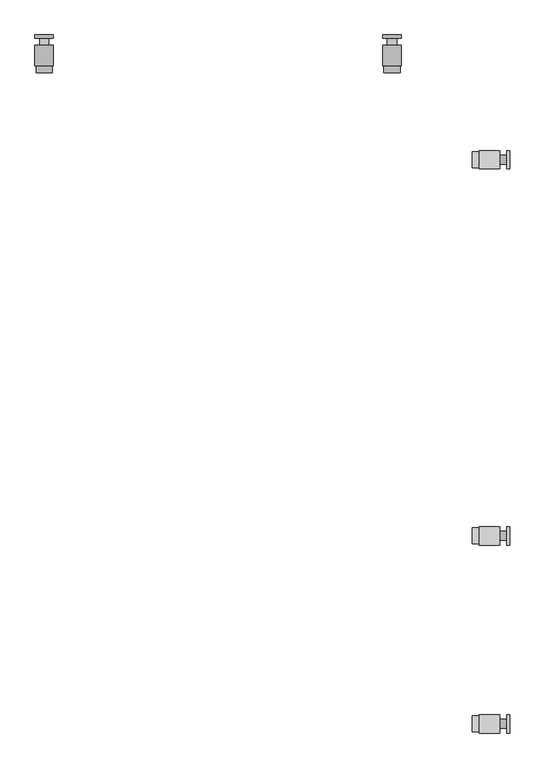
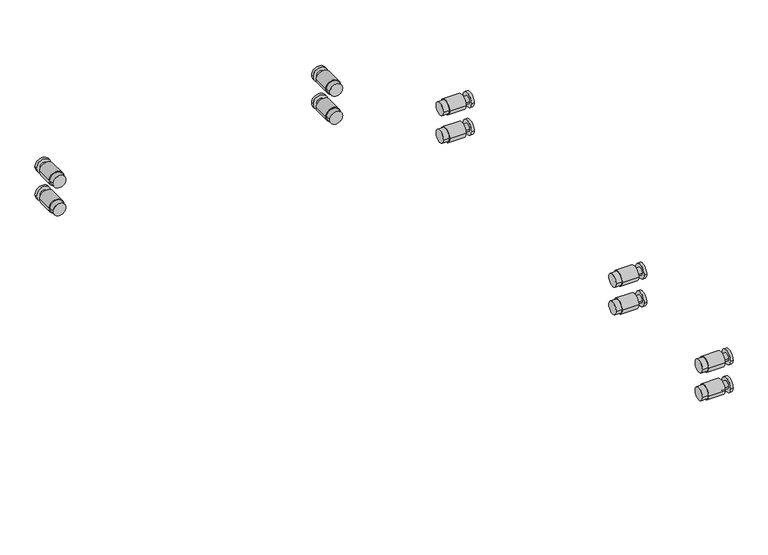
"""IFC4 building model written with IfcOpenShell, lengths in millimetres: railing geometry."""

from ifc_helpers import new_model, si_unit, frame, origin, place, context, project, spatial, circle_curve, source, transform, mapped, element, save
from ifc_brep_helpers import plane_surface, cylinder_surface, advanced_brep


def railing_009ead32(model_context):
    return source(origin(), model_context, "Body", "AdvancedBrep", [
        advanced_brep(
        [(-10100.5524845, -28312.502884, -150.0), (-10100.5524845, -28272.502884, -150.0), (-10167.5524845, -28312.502884, -150.0), (-10167.5524845, -28272.502884, -150.0), (-10167.5524845, -28310.002884, -150.0), (-10167.5524845, -28275.002884, -150.0), (-10107.5524845, -28312.502884, -150.0), (-10107.5524845, -28272.502884, -150.0), (-10122.5524845, -28272.502884, -150.0), (-10122.5524845, -28312.502884, -150.0), (-10182.5524845, -28310.002884, -150.0), (-10182.5524845, -28275.002884, -150.0), (-10107.5524845, -28302.502884, -150.0), (-10107.5524845, -28282.502884, -150.0), (-10122.5524845, -28302.502884, -150.0), (-10122.5524845, -28282.502884, -150.0)],
        [
            (0, 1, circle_curve(frame((-10100.5524845, -28292.502884, -150.0), z_axis=(1.0, 0.0, 0.0), x_axis=(0.0, 1.0000000000000002, 0.0)), 20.0)),
            (1, 0, circle_curve(frame((-10100.5524845, -28292.502884, -150.0), z_axis=(1.0, 0.0, 0.0), x_axis=(0.0, 1.0000000000000002, 0.0)), 20.0)),
            (2, 3, circle_curve(frame((-10167.5524845, -28292.502884, -150.0), z_axis=(-1.0, 0.0, 0.0), x_axis=(0.0, 1.0000000000000002, 0.0)), 20.0)),
            (3, 2, circle_curve(frame((-10167.5524845, -28292.502884, -150.0), z_axis=(-1.0, 0.0, 0.0), x_axis=(0.0, 1.0000000000000002, 0.0)), 20.0)),
            (4, 5, circle_curve(frame((-10167.5524845, -28292.502884, -150.0), z_axis=(1.0, 0.0, 0.0), x_axis=(0.0, 1.0000000000000002, 0.0)), 17.5)),
            (5, 4, circle_curve(frame((-10167.5524845, -28292.502884, -150.0), z_axis=(1.0, 0.0, 0.0), x_axis=(0.0, 1.0000000000000002, 0.0)), 17.5)),
            (0, 6),
            (6, 7, circle_curve(frame((-10107.5524845, -28292.502884, -150.0), z_axis=(1.0, 0.0, 0.0), x_axis=(0.0, 1.0000000000000002, 0.0)), 20.0)),
            (7, 1),
            (3, 8),
            (8, 9, circle_curve(frame((-10122.5524845, -28292.502884, -150.0), z_axis=(-1.0, 0.0, 0.0), x_axis=(0.0, 1.0000000000000002, 0.0)), 20.0)),
            (9, 2),
            (7, 6, circle_curve(frame((-10107.5524845, -28292.502884, -150.0), z_axis=(1.0, 0.0, 0.0), x_axis=(0.0, 1.0000000000000002, 0.0)), 20.0)),
            (9, 8, circle_curve(frame((-10122.5524845, -28292.502884, -150.0), z_axis=(-1.0, 0.0, 0.0), x_axis=(0.0, 1.0000000000000002, 0.0)), 20.0)),
            (10, 11, circle_curve(frame((-10182.5524845, -28292.502884, -150.0), z_axis=(-1.0, 0.0, 0.0), x_axis=(0.0, 1.0000000000000002, 0.0)), 17.5)),
            (11, 10, circle_curve(frame((-10182.5524845, -28292.502884, -150.0), z_axis=(-1.0, 0.0, 0.0), x_axis=(0.0, 1.0000000000000002, 0.0)), 17.5)),
            (11, 5),
            (4, 10),
            (12, 13, circle_curve(frame((-10107.5524845, -28292.502884, -150.0), z_axis=(1.0, 0.0, 0.0), x_axis=(0.0, 1.0000000000000002, 0.0)), 10.0)),
            (13, 12, circle_curve(frame((-10107.5524845, -28292.502884, -150.0), z_axis=(1.0, 0.0, 0.0), x_axis=(0.0, 1.0000000000000002, 0.0)), 10.0)),
            (14, 15, circle_curve(frame((-10122.5524845, -28292.502884, -150.0), z_axis=(-1.0, 0.0, 0.0), x_axis=(0.0, 1.0000000000000002, 0.0)), 10.0)),
            (15, 14, circle_curve(frame((-10122.5524845, -28292.502884, -150.0), z_axis=(-1.0, 0.0, 0.0), x_axis=(0.0, 1.0000000000000002, 0.0)), 10.0)),
            (13, 15),
            (14, 12),
        ],
        [
            plane_surface(frame((-10100.5524845, -28272.502884, -150.0), z_axis=(1.0, 0.0, 0.0), x_axis=(0.0, 0.0, 1.0))),
            plane_surface(frame((-10167.5524845, -28272.502884, -150.0), z_axis=(-1.0, 0.0, 0.0), x_axis=(0.0, 0.0, -1.0))),
            cylinder_surface(frame((-10167.5524845, -28292.502884, -150.0), z_axis=(1.0000000000000002, 0.0, 0.0), x_axis=(0.0, 1.0000000000000002, 0.0)), 20.0),
            plane_surface(frame((-10182.5524845, -28275.002884, -150.0), z_axis=(-1.0, 0.0, 0.0), x_axis=(0.0, 0.0, -1.0))),
            cylinder_surface(frame((-10182.5524845, -28292.502884, -150.0), z_axis=(1.0000000000000002, 0.0, 0.0), x_axis=(0.0, 1.0000000000000002, 0.0)), 17.5),
            plane_surface(frame((-10107.5524845, -28282.502884, -150.0), z_axis=(-1.0, 0.0, 0.0), x_axis=(0.0, 0.0, -1.0))),
            plane_surface(frame((-10122.5524845, -28282.502884, -150.0), z_axis=(1.0, 0.0, 0.0), x_axis=(0.0, 0.0, 1.0))),
            cylinder_surface(frame((-10122.5524845, -28292.502884, -150.0), z_axis=(-1.0000000000000002, 0.0, 0.0), x_axis=(0.0, 1.0000000000000002, 0.0)), 10.0),
        ],
        [
            (0, [[1, 2]]),
            (1, [[3, 4], [5, 6]]),
            (2, [[-1, 7, 8, 9]]),
            (2, [[-4, 10, 11, 12]]),
            (2, [[-2, -9, 13, -7]]),
            (2, [[-3, -12, 14, -10]]),
            (3, [[15, 16]]),
            (4, [[-16, 17, -5, 18]]),
            (4, [[-15, -18, -6, -17]]),
            (5, [[-8, -13], [19, 20]]),
            (6, [[-11, -14], [21, 22]]),
            (7, [[-20, 23, -21, 24]]),
            (7, [[-19, -24, -22, -23]]),
        ],
    ),
        advanced_brep(
        [(-10100.5524845, -28312.502884, -70.0), (-10100.5524845, -28272.502884, -70.0), (-10167.5524845, -28312.502884, -70.0), (-10167.5524845, -28272.502884, -70.0), (-10167.5524845, -28310.002884, -70.0), (-10167.5524845, -28275.002884, -70.0), (-10107.5524845, -28312.502884, -70.0), (-10107.5524845, -28272.502884, -70.0), (-10122.5524845, -28272.502884, -70.0), (-10122.5524845, -28312.502884, -70.0), (-10182.5524845, -28310.002884, -70.0), (-10182.5524845, -28275.002884, -70.0), (-10107.5524845, -28302.502884, -70.0), (-10107.5524845, -28282.502884, -70.0), (-10122.5524845, -28302.502884, -70.0), (-10122.5524845, -28282.502884, -70.0)],
        [
            (0, 1, circle_curve(frame((-10100.5524845, -28292.502884, -70.0), z_axis=(1.0, 0.0, 0.0), x_axis=(0.0, 1.0000000000000002, 0.0)), 20.0)),
            (1, 0, circle_curve(frame((-10100.5524845, -28292.502884, -70.0), z_axis=(1.0, 0.0, 0.0), x_axis=(0.0, 1.0000000000000002, 0.0)), 20.0)),
            (2, 3, circle_curve(frame((-10167.5524845, -28292.502884, -70.0), z_axis=(-1.0, 0.0, 0.0), x_axis=(0.0, 1.0000000000000002, 0.0)), 20.0)),
            (3, 2, circle_curve(frame((-10167.5524845, -28292.502884, -70.0), z_axis=(-1.0, 0.0, 0.0), x_axis=(0.0, 1.0000000000000002, 0.0)), 20.0)),
            (4, 5, circle_curve(frame((-10167.5524845, -28292.502884, -70.0), z_axis=(1.0, 0.0, 0.0), x_axis=(0.0, 1.0000000000000002, 0.0)), 17.5)),
            (5, 4, circle_curve(frame((-10167.5524845, -28292.502884, -70.0), z_axis=(1.0, 0.0, 0.0), x_axis=(0.0, 1.0000000000000002, 0.0)), 17.5)),
            (0, 6),
            (6, 7, circle_curve(frame((-10107.5524845, -28292.502884, -70.0), z_axis=(1.0, 0.0, 0.0), x_axis=(0.0, 1.0000000000000002, 0.0)), 20.0)),
            (7, 1),
            (3, 8),
            (8, 9, circle_curve(frame((-10122.5524845, -28292.502884, -70.0), z_axis=(-1.0, 0.0, 0.0), x_axis=(0.0, 1.0000000000000002, 0.0)), 20.0)),
            (9, 2),
            (7, 6, circle_curve(frame((-10107.5524845, -28292.502884, -70.0), z_axis=(1.0, 0.0, 0.0), x_axis=(0.0, 1.0000000000000002, 0.0)), 20.0)),
            (9, 8, circle_curve(frame((-10122.5524845, -28292.502884, -70.0), z_axis=(-1.0, 0.0, 0.0), x_axis=(0.0, 1.0000000000000002, 0.0)), 20.0)),
            (10, 11, circle_curve(frame((-10182.5524845, -28292.502884, -70.0), z_axis=(-1.0, 0.0, 0.0), x_axis=(0.0, 1.0000000000000002, 0.0)), 17.5)),
            (11, 10, circle_curve(frame((-10182.5524845, -28292.502884, -70.0), z_axis=(-1.0, 0.0, 0.0), x_axis=(0.0, 1.0000000000000002, 0.0)), 17.5)),
            (11, 5),
            (4, 10),
            (12, 13, circle_curve(frame((-10107.5524845, -28292.502884, -70.0), z_axis=(1.0, 0.0, 0.0), x_axis=(0.0, 1.0000000000000002, 0.0)), 10.0)),
            (13, 12, circle_curve(frame((-10107.5524845, -28292.502884, -70.0), z_axis=(1.0, 0.0, 0.0), x_axis=(0.0, 1.0000000000000002, 0.0)), 10.0)),
            (14, 15, circle_curve(frame((-10122.5524845, -28292.502884, -70.0), z_axis=(-1.0, 0.0, 0.0), x_axis=(0.0, 1.0000000000000002, 0.0)), 10.0)),
            (15, 14, circle_curve(frame((-10122.5524845, -28292.502884, -70.0), z_axis=(-1.0, 0.0, 0.0), x_axis=(0.0, 1.0000000000000002, 0.0)), 10.0)),
            (13, 15),
            (14, 12),
        ],
        [
            plane_surface(frame((-10100.5524845, -28272.502884, -70.0), z_axis=(1.0, 0.0, 0.0), x_axis=(0.0, 0.0, 1.0))),
            plane_surface(frame((-10167.5524845, -28272.502884, -70.0), z_axis=(-1.0, 0.0, 0.0), x_axis=(0.0, 0.0, -1.0))),
            cylinder_surface(frame((-10167.5524845, -28292.502884, -70.0), z_axis=(1.0000000000000002, 0.0, 0.0), x_axis=(0.0, 1.0000000000000002, 0.0)), 20.0),
            plane_surface(frame((-10182.5524845, -28275.002884, -70.0), z_axis=(-1.0, 0.0, 0.0), x_axis=(0.0, 0.0, -1.0))),
            cylinder_surface(frame((-10182.5524845, -28292.502884, -70.0), z_axis=(1.0000000000000002, 0.0, 0.0), x_axis=(0.0, 1.0000000000000002, 0.0)), 17.5),
            plane_surface(frame((-10107.5524845, -28282.502884, -70.0), z_axis=(-1.0, 0.0, 0.0), x_axis=(0.0, 0.0, -1.0))),
            plane_surface(frame((-10122.5524845, -28282.502884, -70.0), z_axis=(1.0, 0.0, 0.0), x_axis=(0.0, 0.0, 1.0))),
            cylinder_surface(frame((-10122.5524845, -28292.502884, -70.0), z_axis=(-1.0000000000000002, 0.0, 0.0), x_axis=(0.0, 1.0000000000000002, 0.0)), 10.0),
        ],
        [
            (0, [[1, 2]]),
            (1, [[3, 4], [5, 6]]),
            (2, [[-1, 7, 8, 9]]),
            (2, [[-4, 10, 11, 12]]),
            (2, [[-2, -9, 13, -7]]),
            (2, [[-3, -12, 14, -10]]),
            (3, [[15, 16]]),
            (4, [[-16, 17, -5, 18]]),
            (4, [[-15, -18, -6, -17]]),
            (5, [[-8, -13], [19, 20]]),
            (6, [[-11, -14], [21, 22]]),
            (7, [[-20, 23, -21, 24]]),
            (7, [[-19, -24, -22, -23]]),
        ],
    ),
        advanced_brep(
        [(-10100.5524845, -27904.1695506, -150.0), (-10100.5524845, -27864.1695506, -150.0), (-10167.5524845, -27904.1695506, -150.0), (-10167.5524845, -27864.1695506, -150.0), (-10167.5524845, -27901.6695506, -150.0), (-10167.5524845, -27866.6695506, -150.0), (-10107.5524845, -27904.1695506, -150.0), (-10107.5524845, -27864.1695506, -150.0), (-10122.5524845, -27864.1695506, -150.0), (-10122.5524845, -27904.1695506, -150.0), (-10182.5524845, -27901.6695506, -150.0), (-10182.5524845, -27866.6695506, -150.0), (-10107.5524845, -27894.1695506, -150.0), (-10107.5524845, -27874.1695506, -150.0), (-10122.5524845, -27894.1695506, -150.0), (-10122.5524845, -27874.1695506, -150.0)],
        [
            (0, 1, circle_curve(frame((-10100.5524845, -27884.1695506, -150.0), z_axis=(1.0, 0.0, 0.0), x_axis=(0.0, 1.0000000000000002, 0.0)), 20.0)),
            (1, 0, circle_curve(frame((-10100.5524845, -27884.1695506, -150.0), z_axis=(1.0, 0.0, 0.0), x_axis=(0.0, 1.0000000000000002, 0.0)), 20.0)),
            (2, 3, circle_curve(frame((-10167.5524845, -27884.1695506, -150.0), z_axis=(-1.0, 0.0, 0.0), x_axis=(0.0, 1.0000000000000002, 0.0)), 20.0)),
            (3, 2, circle_curve(frame((-10167.5524845, -27884.1695506, -150.0), z_axis=(-1.0, 0.0, 0.0), x_axis=(0.0, 1.0000000000000002, 0.0)), 20.0)),
            (4, 5, circle_curve(frame((-10167.5524845, -27884.1695506, -150.0), z_axis=(1.0, 0.0, 0.0), x_axis=(0.0, 1.0000000000000002, 0.0)), 17.5)),
            (5, 4, circle_curve(frame((-10167.5524845, -27884.1695506, -150.0), z_axis=(1.0, 0.0, 0.0), x_axis=(0.0, 1.0000000000000002, 0.0)), 17.5)),
            (0, 6),
            (6, 7, circle_curve(frame((-10107.5524845, -27884.1695506, -150.0), z_axis=(1.0, 0.0, 0.0), x_axis=(0.0, 1.0000000000000002, 0.0)), 20.0)),
            (7, 1),
            (3, 8),
            (8, 9, circle_curve(frame((-10122.5524845, -27884.1695506, -150.0), z_axis=(-1.0, 0.0, 0.0), x_axis=(0.0, 1.0000000000000002, 0.0)), 20.0)),
            (9, 2),
            (7, 6, circle_curve(frame((-10107.5524845, -27884.1695506, -150.0), z_axis=(1.0, 0.0, 0.0), x_axis=(0.0, 1.0000000000000002, 0.0)), 20.0)),
            (9, 8, circle_curve(frame((-10122.5524845, -27884.1695506, -150.0), z_axis=(-1.0, 0.0, 0.0), x_axis=(0.0, 1.0000000000000002, 0.0)), 20.0)),
            (10, 11, circle_curve(frame((-10182.5524845, -27884.1695506, -150.0), z_axis=(-1.0, 0.0, 0.0), x_axis=(0.0, 1.0000000000000002, 0.0)), 17.5)),
            (11, 10, circle_curve(frame((-10182.5524845, -27884.1695506, -150.0), z_axis=(-1.0, 0.0, 0.0), x_axis=(0.0, 1.0000000000000002, 0.0)), 17.5)),
            (11, 5),
            (4, 10),
            (12, 13, circle_curve(frame((-10107.5524845, -27884.1695506, -150.0), z_axis=(1.0, 0.0, 0.0), x_axis=(0.0, 1.0000000000000002, 0.0)), 10.0)),
            (13, 12, circle_curve(frame((-10107.5524845, -27884.1695506, -150.0), z_axis=(1.0, 0.0, 0.0), x_axis=(0.0, 1.0000000000000002, 0.0)), 10.0)),
            (14, 15, circle_curve(frame((-10122.5524845, -27884.1695506, -150.0), z_axis=(-1.0, 0.0, 0.0), x_axis=(0.0, 1.0000000000000002, 0.0)), 10.0)),
            (15, 14, circle_curve(frame((-10122.5524845, -27884.1695506, -150.0), z_axis=(-1.0, 0.0, 0.0), x_axis=(0.0, 1.0000000000000002, 0.0)), 10.0)),
            (13, 15),
            (14, 12),
        ],
        [
            plane_surface(frame((-10100.5524845, -27864.1695506, -150.0), z_axis=(1.0, 0.0, 0.0), x_axis=(0.0, 0.0, 1.0))),
            plane_surface(frame((-10167.5524845, -27864.1695506, -150.0), z_axis=(-1.0, 0.0, 0.0), x_axis=(0.0, 0.0, -1.0))),
            cylinder_surface(frame((-10167.5524845, -27884.1695506, -150.0), z_axis=(1.0000000000000002, 0.0, 0.0), x_axis=(0.0, 1.0000000000000002, 0.0)), 20.0),
            plane_surface(frame((-10182.5524845, -27866.6695506, -150.0), z_axis=(-1.0, 0.0, 0.0), x_axis=(0.0, 0.0, -1.0))),
            cylinder_surface(frame((-10182.5524845, -27884.1695506, -150.0), z_axis=(1.0000000000000002, 0.0, 0.0), x_axis=(0.0, 1.0000000000000002, 0.0)), 17.5),
            plane_surface(frame((-10107.5524845, -27874.1695506, -150.0), z_axis=(-1.0, 0.0, 0.0), x_axis=(0.0, 0.0, -1.0))),
            plane_surface(frame((-10122.5524845, -27874.1695506, -150.0), z_axis=(1.0, 0.0, 0.0), x_axis=(0.0, 0.0, 1.0))),
            cylinder_surface(frame((-10122.5524845, -27884.1695506, -150.0), z_axis=(-1.0000000000000002, 0.0, 0.0), x_axis=(0.0, 1.0000000000000002, 0.0)), 10.0),
        ],
        [
            (0, [[1, 2]]),
            (1, [[3, 4], [5, 6]]),
            (2, [[-1, 7, 8, 9]]),
            (2, [[-4, 10, 11, 12]]),
            (2, [[-2, -9, 13, -7]]),
            (2, [[-3, -12, 14, -10]]),
            (3, [[15, 16]]),
            (4, [[-16, 17, -5, 18]]),
            (4, [[-15, -18, -6, -17]]),
            (5, [[-8, -13], [19, 20]]),
            (6, [[-11, -14], [21, 22]]),
            (7, [[-20, 23, -21, 24]]),
            (7, [[-19, -24, -22, -23]]),
        ],
    ),
        advanced_brep(
        [(-10100.5524845, -27904.1695506, -70.0), (-10100.5524845, -27864.1695506, -70.0), (-10167.5524845, -27904.1695506, -70.0), (-10167.5524845, -27864.1695506, -70.0), (-10167.5524845, -27901.6695506, -70.0), (-10167.5524845, -27866.6695506, -70.0), (-10107.5524845, -27904.1695506, -70.0), (-10107.5524845, -27864.1695506, -70.0), (-10122.5524845, -27864.1695506, -70.0), (-10122.5524845, -27904.1695506, -70.0), (-10182.5524845, -27901.6695506, -70.0), (-10182.5524845, -27866.6695506, -70.0), (-10107.5524845, -27894.1695506, -70.0), (-10107.5524845, -27874.1695506, -70.0), (-10122.5524845, -27894.1695506, -70.0), (-10122.5524845, -27874.1695506, -70.0)],
        [
            (0, 1, circle_curve(frame((-10100.5524845, -27884.1695506, -70.0), z_axis=(1.0, 0.0, 0.0), x_axis=(0.0, 1.0000000000000002, 0.0)), 20.0)),
            (1, 0, circle_curve(frame((-10100.5524845, -27884.1695506, -70.0), z_axis=(1.0, 0.0, 0.0), x_axis=(0.0, 1.0000000000000002, 0.0)), 20.0)),
            (2, 3, circle_curve(frame((-10167.5524845, -27884.1695506, -70.0), z_axis=(-1.0, 0.0, 0.0), x_axis=(0.0, 1.0000000000000002, 0.0)), 20.0)),
            (3, 2, circle_curve(frame((-10167.5524845, -27884.1695506, -70.0), z_axis=(-1.0, 0.0, 0.0), x_axis=(0.0, 1.0000000000000002, 0.0)), 20.0)),
            (4, 5, circle_curve(frame((-10167.5524845, -27884.1695506, -70.0), z_axis=(1.0, 0.0, 0.0), x_axis=(0.0, 1.0000000000000002, 0.0)), 17.5)),
            (5, 4, circle_curve(frame((-10167.5524845, -27884.1695506, -70.0), z_axis=(1.0, 0.0, 0.0), x_axis=(0.0, 1.0000000000000002, 0.0)), 17.5)),
            (0, 6),
            (6, 7, circle_curve(frame((-10107.5524845, -27884.1695506, -70.0), z_axis=(1.0, 0.0, 0.0), x_axis=(0.0, 1.0000000000000002, 0.0)), 20.0)),
            (7, 1),
            (3, 8),
            (8, 9, circle_curve(frame((-10122.5524845, -27884.1695506, -70.0), z_axis=(-1.0, 0.0, 0.0), x_axis=(0.0, 1.0000000000000002, 0.0)), 20.0)),
            (9, 2),
            (7, 6, circle_curve(frame((-10107.5524845, -27884.1695506, -70.0), z_axis=(1.0, 0.0, 0.0), x_axis=(0.0, 1.0000000000000002, 0.0)), 20.0)),
            (9, 8, circle_curve(frame((-10122.5524845, -27884.1695506, -70.0), z_axis=(-1.0, 0.0, 0.0), x_axis=(0.0, 1.0000000000000002, 0.0)), 20.0)),
            (10, 11, circle_curve(frame((-10182.5524845, -27884.1695506, -70.0), z_axis=(-1.0, 0.0, 0.0), x_axis=(0.0, 1.0000000000000002, 0.0)), 17.5)),
            (11, 10, circle_curve(frame((-10182.5524845, -27884.1695506, -70.0), z_axis=(-1.0, 0.0, 0.0), x_axis=(0.0, 1.0000000000000002, 0.0)), 17.5)),
            (11, 5),
            (4, 10),
            (12, 13, circle_curve(frame((-10107.5524845, -27884.1695506, -70.0), z_axis=(1.0, 0.0, 0.0), x_axis=(0.0, 1.0000000000000002, 0.0)), 10.0)),
            (13, 12, circle_curve(frame((-10107.5524845, -27884.1695506, -70.0), z_axis=(1.0, 0.0, 0.0), x_axis=(0.0, 1.0000000000000002, 0.0)), 10.0)),
            (14, 15, circle_curve(frame((-10122.5524845, -27884.1695506, -70.0), z_axis=(-1.0, 0.0, 0.0), x_axis=(0.0, 1.0000000000000002, 0.0)), 10.0)),
            (15, 14, circle_curve(frame((-10122.5524845, -27884.1695506, -70.0), z_axis=(-1.0, 0.0, 0.0), x_axis=(0.0, 1.0000000000000002, 0.0)), 10.0)),
            (13, 15),
            (14, 12),
        ],
        [
            plane_surface(frame((-10100.5524845, -27864.1695506, -70.0), z_axis=(1.0, 0.0, 0.0), x_axis=(0.0, 0.0, 1.0))),
            plane_surface(frame((-10167.5524845, -27864.1695506, -70.0), z_axis=(-1.0, 0.0, 0.0), x_axis=(0.0, 0.0, -1.0))),
            cylinder_surface(frame((-10167.5524845, -27884.1695506, -70.0), z_axis=(1.0000000000000002, 0.0, 0.0), x_axis=(0.0, 1.0000000000000002, 0.0)), 20.0),
            plane_surface(frame((-10182.5524845, -27866.6695506, -70.0), z_axis=(-1.0, 0.0, 0.0), x_axis=(0.0, 0.0, -1.0))),
            cylinder_surface(frame((-10182.5524845, -27884.1695506, -70.0), z_axis=(1.0000000000000002, 0.0, 0.0), x_axis=(0.0, 1.0000000000000002, 0.0)), 17.5),
            plane_surface(frame((-10107.5524845, -27874.1695506, -70.0), z_axis=(-1.0, 0.0, 0.0), x_axis=(0.0, 0.0, -1.0))),
            plane_surface(frame((-10122.5524845, -27874.1695506, -70.0), z_axis=(1.0, 0.0, 0.0), x_axis=(0.0, 0.0, 1.0))),
            cylinder_surface(frame((-10122.5524845, -27884.1695506, -70.0), z_axis=(-1.0000000000000002, 0.0, 0.0), x_axis=(0.0, 1.0000000000000002, 0.0)), 10.0),
        ],
        [
            (0, [[1, 2]]),
            (1, [[3, 4], [5, 6]]),
            (2, [[-1, 7, 8, 9]]),
            (2, [[-4, 10, 11, 12]]),
            (2, [[-2, -9, 13, -7]]),
            (2, [[-3, -12, 14, -10]]),
            (3, [[15, 16]]),
            (4, [[-16, 17, -5, 18]]),
            (4, [[-15, -18, -6, -17]]),
            (5, [[-8, -13], [19, 20]]),
            (6, [[-11, -14], [21, 22]]),
            (7, [[-20, 23, -21, 24]]),
            (7, [[-19, -24, -22, -23]]),
        ],
    ),
        advanced_brep(
        [(-10100.5524845, -27087.502884, -150.0), (-10100.5524845, -27047.502884, -150.0), (-10167.5524845, -27087.502884, -150.0), (-10167.5524845, -27047.502884, -150.0), (-10167.5524845, -27085.002884, -150.0), (-10167.5524845, -27050.002884, -150.0), (-10107.5524845, -27087.502884, -150.0), (-10107.5524845, -27047.502884, -150.0), (-10122.5524845, -27047.502884, -150.0), (-10122.5524845, -27087.502884, -150.0), (-10182.5524845, -27085.002884, -150.0), (-10182.5524845, -27050.002884, -150.0), (-10107.5524845, -27077.502884, -150.0), (-10107.5524845, -27057.502884, -150.0), (-10122.5524845, -27077.502884, -150.0), (-10122.5524845, -27057.502884, -150.0)],
        [
            (0, 1, circle_curve(frame((-10100.5524845, -27067.502884, -150.0), z_axis=(1.0, 0.0, 0.0), x_axis=(0.0, 1.0000000000000002, 0.0)), 20.0)),
            (1, 0, circle_curve(frame((-10100.5524845, -27067.502884, -150.0), z_axis=(1.0, 0.0, 0.0), x_axis=(0.0, 1.0000000000000002, 0.0)), 20.0)),
            (2, 3, circle_curve(frame((-10167.5524845, -27067.502884, -150.0), z_axis=(-1.0, 0.0, 0.0), x_axis=(0.0, 1.0000000000000002, 0.0)), 20.0)),
            (3, 2, circle_curve(frame((-10167.5524845, -27067.502884, -150.0), z_axis=(-1.0, 0.0, 0.0), x_axis=(0.0, 1.0000000000000002, 0.0)), 20.0)),
            (4, 5, circle_curve(frame((-10167.5524845, -27067.502884, -150.0), z_axis=(1.0, 0.0, 0.0), x_axis=(0.0, 1.0000000000000002, 0.0)), 17.5)),
            (5, 4, circle_curve(frame((-10167.5524845, -27067.502884, -150.0), z_axis=(1.0, 0.0, 0.0), x_axis=(0.0, 1.0000000000000002, 0.0)), 17.5)),
            (0, 6),
            (6, 7, circle_curve(frame((-10107.5524845, -27067.502884, -150.0), z_axis=(1.0, 0.0, 0.0), x_axis=(0.0, 1.0000000000000002, 0.0)), 20.0)),
            (7, 1),
            (3, 8),
            (8, 9, circle_curve(frame((-10122.5524845, -27067.502884, -150.0), z_axis=(-1.0, 0.0, 0.0), x_axis=(0.0, 1.0000000000000002, 0.0)), 20.0)),
            (9, 2),
            (7, 6, circle_curve(frame((-10107.5524845, -27067.502884, -150.0), z_axis=(1.0, 0.0, 0.0), x_axis=(0.0, 1.0000000000000002, 0.0)), 20.0)),
            (9, 8, circle_curve(frame((-10122.5524845, -27067.502884, -150.0), z_axis=(-1.0, 0.0, 0.0), x_axis=(0.0, 1.0000000000000002, 0.0)), 20.0)),
            (10, 11, circle_curve(frame((-10182.5524845, -27067.502884, -150.0), z_axis=(-1.0, 0.0, 0.0), x_axis=(0.0, 1.0000000000000002, 0.0)), 17.5)),
            (11, 10, circle_curve(frame((-10182.5524845, -27067.502884, -150.0), z_axis=(-1.0, 0.0, 0.0), x_axis=(0.0, 1.0000000000000002, 0.0)), 17.5)),
            (11, 5),
            (4, 10),
            (12, 13, circle_curve(frame((-10107.5524845, -27067.502884, -150.0), z_axis=(1.0, 0.0, 0.0), x_axis=(0.0, 1.0000000000000002, 0.0)), 10.0)),
            (13, 12, circle_curve(frame((-10107.5524845, -27067.502884, -150.0), z_axis=(1.0, 0.0, 0.0), x_axis=(0.0, 1.0000000000000002, 0.0)), 10.0)),
            (14, 15, circle_curve(frame((-10122.5524845, -27067.502884, -150.0), z_axis=(-1.0, 0.0, 0.0), x_axis=(0.0, 1.0000000000000002, 0.0)), 10.0)),
            (15, 14, circle_curve(frame((-10122.5524845, -27067.502884, -150.0), z_axis=(-1.0, 0.0, 0.0), x_axis=(0.0, 1.0000000000000002, 0.0)), 10.0)),
            (13, 15),
            (14, 12),
        ],
        [
            plane_surface(frame((-10100.5524845, -27047.502884, -150.0), z_axis=(1.0, 0.0, 0.0), x_axis=(0.0, 0.0, 1.0))),
            plane_surface(frame((-10167.5524845, -27047.502884, -150.0), z_axis=(-1.0, 0.0, 0.0), x_axis=(0.0, 0.0, -1.0))),
            cylinder_surface(frame((-10167.5524845, -27067.502884, -150.0), z_axis=(1.0000000000000002, 0.0, 0.0), x_axis=(0.0, 1.0000000000000002, 0.0)), 20.0),
            plane_surface(frame((-10182.5524845, -27050.002884, -150.0), z_axis=(-1.0, 0.0, 0.0), x_axis=(0.0, 0.0, -1.0))),
            cylinder_surface(frame((-10182.5524845, -27067.502884, -150.0), z_axis=(1.0000000000000002, 0.0, 0.0), x_axis=(0.0, 1.0000000000000002, 0.0)), 17.5),
            plane_surface(frame((-10107.5524845, -27057.502884, -150.0), z_axis=(-1.0, 0.0, 0.0), x_axis=(0.0, 0.0, -1.0))),
            plane_surface(frame((-10122.5524845, -27057.502884, -150.0), z_axis=(1.0, 0.0, 0.0), x_axis=(0.0, 0.0, 1.0))),
            cylinder_surface(frame((-10122.5524845, -27067.502884, -150.0), z_axis=(-1.0000000000000002, 0.0, 0.0), x_axis=(0.0, 1.0000000000000002, 0.0)), 10.0),
        ],
        [
            (0, [[1, 2]]),
            (1, [[3, 4], [5, 6]]),
            (2, [[-1, 7, 8, 9]]),
            (2, [[-4, 10, 11, 12]]),
            (2, [[-2, -9, 13, -7]]),
            (2, [[-3, -12, 14, -10]]),
            (3, [[15, 16]]),
            (4, [[-16, 17, -5, 18]]),
            (4, [[-15, -18, -6, -17]]),
            (5, [[-8, -13], [19, 20]]),
            (6, [[-11, -14], [21, 22]]),
            (7, [[-20, 23, -21, 24]]),
            (7, [[-19, -24, -22, -23]]),
        ],
    ),
        advanced_brep(
        [(-10100.5524845, -27087.502884, -70.0), (-10100.5524845, -27047.502884, -70.0), (-10167.5524845, -27087.502884, -70.0), (-10167.5524845, -27047.502884, -70.0), (-10167.5524845, -27085.002884, -70.0), (-10167.5524845, -27050.002884, -70.0), (-10107.5524845, -27087.502884, -70.0), (-10107.5524845, -27047.502884, -70.0), (-10122.5524845, -27047.502884, -70.0), (-10122.5524845, -27087.502884, -70.0), (-10182.5524845, -27085.002884, -70.0), (-10182.5524845, -27050.002884, -70.0), (-10107.5524845, -27077.502884, -70.0), (-10107.5524845, -27057.502884, -70.0), (-10122.5524845, -27077.502884, -70.0), (-10122.5524845, -27057.502884, -70.0)],
        [
            (0, 1, circle_curve(frame((-10100.5524845, -27067.502884, -70.0), z_axis=(1.0, 0.0, 0.0), x_axis=(0.0, 1.0000000000000002, 0.0)), 20.0)),
            (1, 0, circle_curve(frame((-10100.5524845, -27067.502884, -70.0), z_axis=(1.0, 0.0, 0.0), x_axis=(0.0, 1.0000000000000002, 0.0)), 20.0)),
            (2, 3, circle_curve(frame((-10167.5524845, -27067.502884, -70.0), z_axis=(-1.0, 0.0, 0.0), x_axis=(0.0, 1.0000000000000002, 0.0)), 20.0)),
            (3, 2, circle_curve(frame((-10167.5524845, -27067.502884, -70.0), z_axis=(-1.0, 0.0, 0.0), x_axis=(0.0, 1.0000000000000002, 0.0)), 20.0)),
            (4, 5, circle_curve(frame((-10167.5524845, -27067.502884, -70.0), z_axis=(1.0, 0.0, 0.0), x_axis=(0.0, 1.0000000000000002, 0.0)), 17.5)),
            (5, 4, circle_curve(frame((-10167.5524845, -27067.502884, -70.0), z_axis=(1.0, 0.0, 0.0), x_axis=(0.0, 1.0000000000000002, 0.0)), 17.5)),
            (0, 6),
            (6, 7, circle_curve(frame((-10107.5524845, -27067.502884, -70.0), z_axis=(1.0, 0.0, 0.0), x_axis=(0.0, 1.0000000000000002, 0.0)), 20.0)),
            (7, 1),
            (3, 8),
            (8, 9, circle_curve(frame((-10122.5524845, -27067.502884, -70.0), z_axis=(-1.0, 0.0, 0.0), x_axis=(0.0, 1.0000000000000002, 0.0)), 20.0)),
            (9, 2),
            (7, 6, circle_curve(frame((-10107.5524845, -27067.502884, -70.0), z_axis=(1.0, 0.0, 0.0), x_axis=(0.0, 1.0000000000000002, 0.0)), 20.0)),
            (9, 8, circle_curve(frame((-10122.5524845, -27067.502884, -70.0), z_axis=(-1.0, 0.0, 0.0), x_axis=(0.0, 1.0000000000000002, 0.0)), 20.0)),
            (10, 11, circle_curve(frame((-10182.5524845, -27067.502884, -70.0), z_axis=(-1.0, 0.0, 0.0), x_axis=(0.0, 1.0000000000000002, 0.0)), 17.5)),
            (11, 10, circle_curve(frame((-10182.5524845, -27067.502884, -70.0), z_axis=(-1.0, 0.0, 0.0), x_axis=(0.0, 1.0000000000000002, 0.0)), 17.5)),
            (11, 5),
            (4, 10),
            (12, 13, circle_curve(frame((-10107.5524845, -27067.502884, -70.0), z_axis=(1.0, 0.0, 0.0), x_axis=(0.0, 1.0000000000000002, 0.0)), 10.0)),
            (13, 12, circle_curve(frame((-10107.5524845, -27067.502884, -70.0), z_axis=(1.0, 0.0, 0.0), x_axis=(0.0, 1.0000000000000002, 0.0)), 10.0)),
            (14, 15, circle_curve(frame((-10122.5524845, -27067.502884, -70.0), z_axis=(-1.0, 0.0, 0.0), x_axis=(0.0, 1.0000000000000002, 0.0)), 10.0)),
            (15, 14, circle_curve(frame((-10122.5524845, -27067.502884, -70.0), z_axis=(-1.0, 0.0, 0.0), x_axis=(0.0, 1.0000000000000002, 0.0)), 10.0)),
            (13, 15),
            (14, 12),
        ],
        [
            plane_surface(frame((-10100.5524845, -27047.502884, -70.0), z_axis=(1.0, 0.0, 0.0), x_axis=(0.0, 0.0, 1.0))),
            plane_surface(frame((-10167.5524845, -27047.502884, -70.0), z_axis=(-1.0, 0.0, 0.0), x_axis=(0.0, 0.0, -1.0))),
            cylinder_surface(frame((-10167.5524845, -27067.502884, -70.0), z_axis=(1.0000000000000002, 0.0, 0.0), x_axis=(0.0, 1.0000000000000002, 0.0)), 20.0),
            plane_surface(frame((-10182.5524845, -27050.002884, -70.0), z_axis=(-1.0, 0.0, 0.0), x_axis=(0.0, 0.0, -1.0))),
            cylinder_surface(frame((-10182.5524845, -27067.502884, -70.0), z_axis=(1.0000000000000002, 0.0, 0.0), x_axis=(0.0, 1.0000000000000002, 0.0)), 17.5),
            plane_surface(frame((-10107.5524845, -27057.502884, -70.0), z_axis=(-1.0, 0.0, 0.0), x_axis=(0.0, 0.0, -1.0))),
            plane_surface(frame((-10122.5524845, -27057.502884, -70.0), z_axis=(1.0, 0.0, 0.0), x_axis=(0.0, 0.0, 1.0))),
            cylinder_surface(frame((-10122.5524845, -27067.502884, -70.0), z_axis=(-1.0000000000000002, 0.0, 0.0), x_axis=(0.0, 1.0000000000000002, 0.0)), 10.0),
        ],
        [
            (0, [[1, 2]]),
            (1, [[3, 4], [5, 6]]),
            (2, [[-1, 7, 8, 9]]),
            (2, [[-4, 10, 11, 12]]),
            (2, [[-2, -9, 13, -7]]),
            (2, [[-3, -12, 14, -10]]),
            (3, [[15, 16]]),
            (4, [[-16, 17, -5, 18]]),
            (4, [[-15, -18, -6, -17]]),
            (5, [[-8, -13], [19, 20]]),
            (6, [[-11, -14], [21, 22]]),
            (7, [[-20, 23, -21, 24]]),
            (7, [[-19, -24, -22, -23]]),
        ],
    ),
        advanced_brep(
        [(-10336.4413733, -26796.3362173, -150.0), (-10376.4413733, -26796.3362173, -150.0), (-10336.4413733, -26863.3362173, -150.0), (-10376.4413733, -26863.3362173, -150.0), (-10338.9413733, -26863.3362173, -150.0), (-10373.9413733, -26863.3362173, -150.0), (-10336.4413733, -26803.3362173, -150.0), (-10376.4413733, -26803.3362173, -150.0), (-10376.4413733, -26818.3362173, -150.0), (-10336.4413733, -26818.3362173, -150.0), (-10338.9413733, -26878.3362173, -150.0), (-10373.9413733, -26878.3362173, -150.0), (-10346.4413733, -26803.3362173, -150.0), (-10366.4413733, -26803.3362173, -150.0), (-10346.4413733, -26818.3362173, -150.0), (-10366.4413733, -26818.3362173, -150.0)],
        [
            (0, 1, circle_curve(frame((-10356.4413733, -26796.3362173, -150.0), z_axis=(0.0, 1.0, 0.0), x_axis=(-1.0000000000000002, 0.0, 0.0)), 20.0)),
            (1, 0, circle_curve(frame((-10356.4413733, -26796.3362173, -150.0), z_axis=(0.0, 1.0, 0.0), x_axis=(-1.0000000000000002, 0.0, 0.0)), 20.0)),
            (2, 3, circle_curve(frame((-10356.4413733, -26863.3362173, -150.0), z_axis=(0.0, -1.0, 0.0), x_axis=(-1.0000000000000002, 0.0, 0.0)), 20.0)),
            (3, 2, circle_curve(frame((-10356.4413733, -26863.3362173, -150.0), z_axis=(0.0, -1.0, 0.0), x_axis=(-1.0000000000000002, 0.0, 0.0)), 20.0)),
            (4, 5, circle_curve(frame((-10356.4413733, -26863.3362173, -150.0), z_axis=(0.0, 1.0, 0.0), x_axis=(-1.0000000000000002, 0.0, 0.0)), 17.5)),
            (5, 4, circle_curve(frame((-10356.4413733, -26863.3362173, -150.0), z_axis=(0.0, 1.0, 0.0), x_axis=(-1.0000000000000002, 0.0, 0.0)), 17.5)),
            (0, 6),
            (6, 7, circle_curve(frame((-10356.4413733, -26803.3362173, -150.0), z_axis=(0.0, 1.0, 0.0), x_axis=(-1.0000000000000002, 0.0, 0.0)), 20.0)),
            (7, 1),
            (3, 8),
            (8, 9, circle_curve(frame((-10356.4413733, -26818.3362173, -150.0), z_axis=(0.0, -1.0, 0.0), x_axis=(-1.0000000000000002, 0.0, 0.0)), 20.0)),
            (9, 2),
            (7, 6, circle_curve(frame((-10356.4413733, -26803.3362173, -150.0), z_axis=(0.0, 1.0, 0.0), x_axis=(-1.0000000000000002, 0.0, 0.0)), 20.0)),
            (9, 8, circle_curve(frame((-10356.4413733, -26818.3362173, -150.0), z_axis=(0.0, -1.0, 0.0), x_axis=(-1.0000000000000002, 0.0, 0.0)), 20.0)),
            (10, 11, circle_curve(frame((-10356.4413733, -26878.3362173, -150.0), z_axis=(0.0, -1.0, 0.0), x_axis=(-1.0000000000000002, 0.0, 0.0)), 17.5)),
            (11, 10, circle_curve(frame((-10356.4413733, -26878.3362173, -150.0), z_axis=(0.0, -1.0, 0.0), x_axis=(-1.0000000000000002, 0.0, 0.0)), 17.5)),
            (11, 5),
            (4, 10),
            (12, 13, circle_curve(frame((-10356.4413733, -26803.3362173, -150.0), z_axis=(0.0, 1.0, 0.0), x_axis=(-1.0000000000000002, 0.0, 0.0)), 10.0)),
            (13, 12, circle_curve(frame((-10356.4413733, -26803.3362173, -150.0), z_axis=(0.0, 1.0, 0.0), x_axis=(-1.0000000000000002, 0.0, 0.0)), 10.0)),
            (14, 15, circle_curve(frame((-10356.4413733, -26818.3362173, -150.0), z_axis=(0.0, -1.0, 0.0), x_axis=(-1.0000000000000002, 0.0, 0.0)), 10.0)),
            (15, 14, circle_curve(frame((-10356.4413733, -26818.3362173, -150.0), z_axis=(0.0, -1.0, 0.0), x_axis=(-1.0000000000000002, 0.0, 0.0)), 10.0)),
            (13, 15),
            (14, 12),
        ],
        [
            plane_surface(frame((-10376.4413733, -26796.3362173, -150.0), z_axis=(0.0, 1.0, 0.0), x_axis=(0.0, 0.0, 1.0))),
            plane_surface(frame((-10376.4413733, -26863.3362173, -150.0), z_axis=(0.0, -1.0, 0.0), x_axis=(0.0, 0.0, -1.0))),
            cylinder_surface(frame((-10356.4413733, -26863.3362173, -150.0), z_axis=(0.0, 1.0000000000000002, 0.0), x_axis=(-1.0000000000000002, 0.0, 0.0)), 20.0),
            plane_surface(frame((-10373.9413733, -26878.3362173, -150.0), z_axis=(0.0, -1.0, 0.0), x_axis=(0.0, 0.0, -1.0))),
            cylinder_surface(frame((-10356.4413733, -26878.3362173, -150.0), z_axis=(0.0, 1.0000000000000002, 0.0), x_axis=(-1.0000000000000002, 0.0, 0.0)), 17.5),
            plane_surface(frame((-10366.4413733, -26803.3362173, -150.0), z_axis=(0.0, -1.0, 0.0), x_axis=(0.0, 0.0, -1.0))),
            plane_surface(frame((-10366.4413733, -26818.3362173, -150.0), z_axis=(0.0, 1.0, 0.0), x_axis=(0.0, 0.0, 1.0))),
            cylinder_surface(frame((-10356.4413733, -26818.3362173, -150.0), z_axis=(0.0, -1.0000000000000002, 0.0), x_axis=(-1.0000000000000002, 0.0, 0.0)), 10.0),
        ],
        [
            (0, [[1, 2]]),
            (1, [[3, 4], [5, 6]]),
            (2, [[-1, 7, 8, 9]]),
            (2, [[-4, 10, 11, 12]]),
            (2, [[-2, -9, 13, -7]]),
            (2, [[-3, -12, 14, -10]]),
            (3, [[15, 16]]),
            (4, [[-16, 17, -5, 18]]),
            (4, [[-15, -18, -6, -17]]),
            (5, [[-8, -13], [19, 20]]),
            (6, [[-11, -14], [21, 22]]),
            (7, [[-20, 23, -21, 24]]),
            (7, [[-19, -24, -22, -23]]),
        ],
    ),
        advanced_brep(
        [(-10336.4413733, -26796.3362173, -70.0), (-10376.4413733, -26796.3362173, -70.0), (-10336.4413733, -26863.3362173, -70.0), (-10376.4413733, -26863.3362173, -70.0), (-10338.9413733, -26863.3362173, -70.0), (-10373.9413733, -26863.3362173, -70.0), (-10336.4413733, -26803.3362173, -70.0), (-10376.4413733, -26803.3362173, -70.0), (-10376.4413733, -26818.3362173, -70.0), (-10336.4413733, -26818.3362173, -70.0), (-10338.9413733, -26878.3362173, -70.0), (-10373.9413733, -26878.3362173, -70.0), (-10346.4413733, -26803.3362173, -70.0), (-10366.4413733, -26803.3362173, -70.0), (-10346.4413733, -26818.3362173, -70.0), (-10366.4413733, -26818.3362173, -70.0)],
        [
            (0, 1, circle_curve(frame((-10356.4413733, -26796.3362173, -70.0), z_axis=(0.0, 1.0, 0.0), x_axis=(-1.0000000000000002, 0.0, 0.0)), 20.0)),
            (1, 0, circle_curve(frame((-10356.4413733, -26796.3362173, -70.0), z_axis=(0.0, 1.0, 0.0), x_axis=(-1.0000000000000002, 0.0, 0.0)), 20.0)),
            (2, 3, circle_curve(frame((-10356.4413733, -26863.3362173, -70.0), z_axis=(0.0, -1.0, 0.0), x_axis=(-1.0000000000000002, 0.0, 0.0)), 20.0)),
            (3, 2, circle_curve(frame((-10356.4413733, -26863.3362173, -70.0), z_axis=(0.0, -1.0, 0.0), x_axis=(-1.0000000000000002, 0.0, 0.0)), 20.0)),
            (4, 5, circle_curve(frame((-10356.4413733, -26863.3362173, -70.0), z_axis=(0.0, 1.0, 0.0), x_axis=(-1.0000000000000002, 0.0, 0.0)), 17.5)),
            (5, 4, circle_curve(frame((-10356.4413733, -26863.3362173, -70.0), z_axis=(0.0, 1.0, 0.0), x_axis=(-1.0000000000000002, 0.0, 0.0)), 17.5)),
            (0, 6),
            (6, 7, circle_curve(frame((-10356.4413733, -26803.3362173, -70.0), z_axis=(0.0, 1.0, 0.0), x_axis=(-1.0000000000000002, 0.0, 0.0)), 20.0)),
            (7, 1),
            (3, 8),
            (8, 9, circle_curve(frame((-10356.4413733, -26818.3362173, -70.0), z_axis=(0.0, -1.0, 0.0), x_axis=(-1.0000000000000002, 0.0, 0.0)), 20.0)),
            (9, 2),
            (7, 6, circle_curve(frame((-10356.4413733, -26803.3362173, -70.0), z_axis=(0.0, 1.0, 0.0), x_axis=(-1.0000000000000002, 0.0, 0.0)), 20.0)),
            (9, 8, circle_curve(frame((-10356.4413733, -26818.3362173, -70.0), z_axis=(0.0, -1.0, 0.0), x_axis=(-1.0000000000000002, 0.0, 0.0)), 20.0)),
            (10, 11, circle_curve(frame((-10356.4413733, -26878.3362173, -70.0), z_axis=(0.0, -1.0, 0.0), x_axis=(-1.0000000000000002, 0.0, 0.0)), 17.5)),
            (11, 10, circle_curve(frame((-10356.4413733, -26878.3362173, -70.0), z_axis=(0.0, -1.0, 0.0), x_axis=(-1.0000000000000002, 0.0, 0.0)), 17.5)),
            (11, 5),
            (4, 10),
            (12, 13, circle_curve(frame((-10356.4413733, -26803.3362173, -70.0), z_axis=(0.0, 1.0, 0.0), x_axis=(-1.0000000000000002, 0.0, 0.0)), 10.0)),
            (13, 12, circle_curve(frame((-10356.4413733, -26803.3362173, -70.0), z_axis=(0.0, 1.0, 0.0), x_axis=(-1.0000000000000002, 0.0, 0.0)), 10.0)),
            (14, 15, circle_curve(frame((-10356.4413733, -26818.3362173, -70.0), z_axis=(0.0, -1.0, 0.0), x_axis=(-1.0000000000000002, 0.0, 0.0)), 10.0)),
            (15, 14, circle_curve(frame((-10356.4413733, -26818.3362173, -70.0), z_axis=(0.0, -1.0, 0.0), x_axis=(-1.0000000000000002, 0.0, 0.0)), 10.0)),
            (13, 15),
            (14, 12),
        ],
        [
            plane_surface(frame((-10376.4413733, -26796.3362173, -70.0), z_axis=(0.0, 1.0, 0.0), x_axis=(0.0, 0.0, 1.0))),
            plane_surface(frame((-10376.4413733, -26863.3362173, -70.0), z_axis=(0.0, -1.0, 0.0), x_axis=(0.0, 0.0, -1.0))),
            cylinder_surface(frame((-10356.4413733, -26863.3362173, -70.0), z_axis=(0.0, 1.0000000000000002, 0.0), x_axis=(-1.0000000000000002, 0.0, 0.0)), 20.0),
            plane_surface(frame((-10373.9413733, -26878.3362173, -70.0), z_axis=(0.0, -1.0, 0.0), x_axis=(0.0, 0.0, -1.0))),
            cylinder_surface(frame((-10356.4413733, -26878.3362173, -70.0), z_axis=(0.0, 1.0000000000000002, 0.0), x_axis=(-1.0000000000000002, 0.0, 0.0)), 17.5),
            plane_surface(frame((-10366.4413733, -26803.3362173, -70.0), z_axis=(0.0, -1.0, 0.0), x_axis=(0.0, 0.0, -1.0))),
            plane_surface(frame((-10366.4413733, -26818.3362173, -70.0), z_axis=(0.0, 1.0, 0.0), x_axis=(0.0, 0.0, 1.0))),
            cylinder_surface(frame((-10356.4413733, -26818.3362173, -70.0), z_axis=(0.0, -1.0000000000000002, 0.0), x_axis=(-1.0000000000000002, 0.0, 0.0)), 10.0),
        ],
        [
            (0, [[1, 2]]),
            (1, [[3, 4], [5, 6]]),
            (2, [[-1, 7, 8, 9]]),
            (2, [[-4, 10, 11, 12]]),
            (2, [[-2, -9, 13, -7]]),
            (2, [[-3, -12, 14, -10]]),
            (3, [[15, 16]]),
            (4, [[-16, 17, -5, 18]]),
            (4, [[-15, -18, -6, -17]]),
            (5, [[-8, -13], [19, 20]]),
            (6, [[-11, -14], [21, 22]]),
            (7, [[-20, 23, -21, 24]]),
            (7, [[-19, -24, -22, -23]]),
        ],
    ),
        advanced_brep(
        [(-11091.9969289, -26796.3362173, -150.0), (-11131.9969289, -26796.3362173, -150.0), (-11091.9969289, -26863.3362173, -150.0), (-11131.9969289, -26863.3362173, -150.0), (-11094.4969289, -26863.3362173, -150.0), (-11129.4969289, -26863.3362173, -150.0), (-11091.9969289, -26803.3362173, -150.0), (-11131.9969289, -26803.3362173, -150.0), (-11131.9969289, -26818.3362173, -150.0), (-11091.9969289, -26818.3362173, -150.0), (-11094.4969289, -26878.3362173, -150.0), (-11129.4969289, -26878.3362173, -150.0), (-11101.9969289, -26803.3362173, -150.0), (-11121.9969289, -26803.3362173, -150.0), (-11101.9969289, -26818.3362173, -150.0), (-11121.9969289, -26818.3362173, -150.0)],
        [
            (0, 1, circle_curve(frame((-11111.9969289, -26796.3362173, -150.0), z_axis=(0.0, 1.0, 0.0), x_axis=(-1.0000000000000002, 0.0, 0.0)), 20.0)),
            (1, 0, circle_curve(frame((-11111.9969289, -26796.3362173, -150.0), z_axis=(0.0, 1.0, 0.0), x_axis=(-1.0000000000000002, 0.0, 0.0)), 20.0)),
            (2, 3, circle_curve(frame((-11111.9969289, -26863.3362173, -150.0), z_axis=(0.0, -1.0, 0.0), x_axis=(-1.0000000000000002, 0.0, 0.0)), 20.0)),
            (3, 2, circle_curve(frame((-11111.9969289, -26863.3362173, -150.0), z_axis=(0.0, -1.0, 0.0), x_axis=(-1.0000000000000002, 0.0, 0.0)), 20.0)),
            (4, 5, circle_curve(frame((-11111.9969289, -26863.3362173, -150.0), z_axis=(0.0, 1.0, 0.0), x_axis=(-1.0000000000000002, 0.0, 0.0)), 17.5)),
            (5, 4, circle_curve(frame((-11111.9969289, -26863.3362173, -150.0), z_axis=(0.0, 1.0, 0.0), x_axis=(-1.0000000000000002, 0.0, 0.0)), 17.5)),
            (0, 6),
            (6, 7, circle_curve(frame((-11111.9969289, -26803.3362173, -150.0), z_axis=(0.0, 1.0, 0.0), x_axis=(-1.0000000000000002, 0.0, 0.0)), 20.0)),
            (7, 1),
            (3, 8),
            (8, 9, circle_curve(frame((-11111.9969289, -26818.3362173, -150.0), z_axis=(0.0, -1.0, 0.0), x_axis=(-1.0000000000000002, 0.0, 0.0)), 20.0)),
            (9, 2),
            (7, 6, circle_curve(frame((-11111.9969289, -26803.3362173, -150.0), z_axis=(0.0, 1.0, 0.0), x_axis=(-1.0000000000000002, 0.0, 0.0)), 20.0)),
            (9, 8, circle_curve(frame((-11111.9969289, -26818.3362173, -150.0), z_axis=(0.0, -1.0, 0.0), x_axis=(-1.0000000000000002, 0.0, 0.0)), 20.0)),
            (10, 11, circle_curve(frame((-11111.9969289, -26878.3362173, -150.0), z_axis=(0.0, -1.0, 0.0), x_axis=(-1.0000000000000002, 0.0, 0.0)), 17.5)),
            (11, 10, circle_curve(frame((-11111.9969289, -26878.3362173, -150.0), z_axis=(0.0, -1.0, 0.0), x_axis=(-1.0000000000000002, 0.0, 0.0)), 17.5)),
            (11, 5),
            (4, 10),
            (12, 13, circle_curve(frame((-11111.9969289, -26803.3362173, -150.0), z_axis=(0.0, 1.0, 0.0), x_axis=(-1.0000000000000002, 0.0, 0.0)), 10.0)),
            (13, 12, circle_curve(frame((-11111.9969289, -26803.3362173, -150.0), z_axis=(0.0, 1.0, 0.0), x_axis=(-1.0000000000000002, 0.0, 0.0)), 10.0)),
            (14, 15, circle_curve(frame((-11111.9969289, -26818.3362173, -150.0), z_axis=(0.0, -1.0, 0.0), x_axis=(-1.0000000000000002, 0.0, 0.0)), 10.0)),
            (15, 14, circle_curve(frame((-11111.9969289, -26818.3362173, -150.0), z_axis=(0.0, -1.0, 0.0), x_axis=(-1.0000000000000002, 0.0, 0.0)), 10.0)),
            (13, 15),
            (14, 12),
        ],
        [
            plane_surface(frame((-11131.9969289, -26796.3362173, -150.0), z_axis=(0.0, 1.0, 0.0), x_axis=(0.0, 0.0, 1.0))),
            plane_surface(frame((-11131.9969289, -26863.3362173, -150.0), z_axis=(0.0, -1.0, 0.0), x_axis=(0.0, 0.0, -1.0))),
            cylinder_surface(frame((-11111.9969289, -26863.3362173, -150.0), z_axis=(0.0, 1.0000000000000002, 0.0), x_axis=(-1.0000000000000002, 0.0, 0.0)), 20.0),
            plane_surface(frame((-11129.4969289, -26878.3362173, -150.0), z_axis=(0.0, -1.0, 0.0), x_axis=(0.0, 0.0, -1.0))),
            cylinder_surface(frame((-11111.9969289, -26878.3362173, -150.0), z_axis=(0.0, 1.0000000000000002, 0.0), x_axis=(-1.0000000000000002, 0.0, 0.0)), 17.5),
            plane_surface(frame((-11121.9969289, -26803.3362173, -150.0), z_axis=(0.0, -1.0, 0.0), x_axis=(0.0, 0.0, -1.0))),
            plane_surface(frame((-11121.9969289, -26818.3362173, -150.0), z_axis=(0.0, 1.0, 0.0), x_axis=(0.0, 0.0, 1.0))),
            cylinder_surface(frame((-11111.9969289, -26818.3362173, -150.0), z_axis=(0.0, -1.0000000000000002, 0.0), x_axis=(-1.0000000000000002, 0.0, 0.0)), 10.0),
        ],
        [
            (0, [[1, 2]]),
            (1, [[3, 4], [5, 6]]),
            (2, [[-1, 7, 8, 9]]),
            (2, [[-4, 10, 11, 12]]),
            (2, [[-2, -9, 13, -7]]),
            (2, [[-3, -12, 14, -10]]),
            (3, [[15, 16]]),
            (4, [[-16, 17, -5, 18]]),
            (4, [[-15, -18, -6, -17]]),
            (5, [[-8, -13], [19, 20]]),
            (6, [[-11, -14], [21, 22]]),
            (7, [[-20, 23, -21, 24]]),
            (7, [[-19, -24, -22, -23]]),
        ],
    ),
        advanced_brep(
        [(-11091.9969289, -26796.3362173, -70.0), (-11131.9969289, -26796.3362173, -70.0), (-11091.9969289, -26863.3362173, -70.0), (-11131.9969289, -26863.3362173, -70.0), (-11094.4969289, -26863.3362173, -70.0), (-11129.4969289, -26863.3362173, -70.0), (-11091.9969289, -26803.3362173, -70.0), (-11131.9969289, -26803.3362173, -70.0), (-11131.9969289, -26818.3362173, -70.0), (-11091.9969289, -26818.3362173, -70.0), (-11094.4969289, -26878.3362173, -70.0), (-11129.4969289, -26878.3362173, -70.0), (-11101.9969289, -26803.3362173, -70.0), (-11121.9969289, -26803.3362173, -70.0), (-11101.9969289, -26818.3362173, -70.0), (-11121.9969289, -26818.3362173, -70.0)],
        [
            (0, 1, circle_curve(frame((-11111.9969289, -26796.3362173, -70.0), z_axis=(0.0, 1.0, 0.0), x_axis=(-1.0000000000000002, 0.0, 0.0)), 20.0)),
            (1, 0, circle_curve(frame((-11111.9969289, -26796.3362173, -70.0), z_axis=(0.0, 1.0, 0.0), x_axis=(-1.0000000000000002, 0.0, 0.0)), 20.0)),
            (2, 3, circle_curve(frame((-11111.9969289, -26863.3362173, -70.0), z_axis=(0.0, -1.0, 0.0), x_axis=(-1.0000000000000002, 0.0, 0.0)), 20.0)),
            (3, 2, circle_curve(frame((-11111.9969289, -26863.3362173, -70.0), z_axis=(0.0, -1.0, 0.0), x_axis=(-1.0000000000000002, 0.0, 0.0)), 20.0)),
            (4, 5, circle_curve(frame((-11111.9969289, -26863.3362173, -70.0), z_axis=(0.0, 1.0, 0.0), x_axis=(-1.0000000000000002, 0.0, 0.0)), 17.5)),
            (5, 4, circle_curve(frame((-11111.9969289, -26863.3362173, -70.0), z_axis=(0.0, 1.0, 0.0), x_axis=(-1.0000000000000002, 0.0, 0.0)), 17.5)),
            (0, 6),
            (6, 7, circle_curve(frame((-11111.9969289, -26803.3362173, -70.0), z_axis=(0.0, 1.0, 0.0), x_axis=(-1.0000000000000002, 0.0, 0.0)), 20.0)),
            (7, 1),
            (3, 8),
            (8, 9, circle_curve(frame((-11111.9969289, -26818.3362173, -70.0), z_axis=(0.0, -1.0, 0.0), x_axis=(-1.0000000000000002, 0.0, 0.0)), 20.0)),
            (9, 2),
            (7, 6, circle_curve(frame((-11111.9969289, -26803.3362173, -70.0), z_axis=(0.0, 1.0, 0.0), x_axis=(-1.0000000000000002, 0.0, 0.0)), 20.0)),
            (9, 8, circle_curve(frame((-11111.9969289, -26818.3362173, -70.0), z_axis=(0.0, -1.0, 0.0), x_axis=(-1.0000000000000002, 0.0, 0.0)), 20.0)),
            (10, 11, circle_curve(frame((-11111.9969289, -26878.3362173, -70.0), z_axis=(0.0, -1.0, 0.0), x_axis=(-1.0000000000000002, 0.0, 0.0)), 17.5)),
            (11, 10, circle_curve(frame((-11111.9969289, -26878.3362173, -70.0), z_axis=(0.0, -1.0, 0.0), x_axis=(-1.0000000000000002, 0.0, 0.0)), 17.5)),
            (11, 5),
            (4, 10),
            (12, 13, circle_curve(frame((-11111.9969289, -26803.3362173, -70.0), z_axis=(0.0, 1.0, 0.0), x_axis=(-1.0000000000000002, 0.0, 0.0)), 10.0)),
            (13, 12, circle_curve(frame((-11111.9969289, -26803.3362173, -70.0), z_axis=(0.0, 1.0, 0.0), x_axis=(-1.0000000000000002, 0.0, 0.0)), 10.0)),
            (14, 15, circle_curve(frame((-11111.9969289, -26818.3362173, -70.0), z_axis=(0.0, -1.0, 0.0), x_axis=(-1.0000000000000002, 0.0, 0.0)), 10.0)),
            (15, 14, circle_curve(frame((-11111.9969289, -26818.3362173, -70.0), z_axis=(0.0, -1.0, 0.0), x_axis=(-1.0000000000000002, 0.0, 0.0)), 10.0)),
            (13, 15),
            (14, 12),
        ],
        [
            plane_surface(frame((-11131.9969289, -26796.3362173, -70.0), z_axis=(0.0, 1.0, 0.0), x_axis=(0.0, 0.0, 1.0))),
            plane_surface(frame((-11131.9969289, -26863.3362173, -70.0), z_axis=(0.0, -1.0, 0.0), x_axis=(0.0, 0.0, -1.0))),
            cylinder_surface(frame((-11111.9969289, -26863.3362173, -70.0), z_axis=(0.0, 1.0000000000000002, 0.0), x_axis=(-1.0000000000000002, 0.0, 0.0)), 20.0),
            plane_surface(frame((-11129.4969289, -26878.3362173, -70.0), z_axis=(0.0, -1.0, 0.0), x_axis=(0.0, 0.0, -1.0))),
            cylinder_surface(frame((-11111.9969289, -26878.3362173, -70.0), z_axis=(0.0, 1.0000000000000002, 0.0), x_axis=(-1.0000000000000002, 0.0, 0.0)), 17.5),
            plane_surface(frame((-11121.9969289, -26803.3362173, -70.0), z_axis=(0.0, -1.0, 0.0), x_axis=(0.0, 0.0, -1.0))),
            plane_surface(frame((-11121.9969289, -26818.3362173, -70.0), z_axis=(0.0, 1.0, 0.0), x_axis=(0.0, 0.0, 1.0))),
            cylinder_surface(frame((-11111.9969289, -26818.3362173, -70.0), z_axis=(0.0, -1.0000000000000002, 0.0), x_axis=(-1.0000000000000002, 0.0, 0.0)), 10.0),
        ],
        [
            (0, [[1, 2]]),
            (1, [[3, 4], [5, 6]]),
            (2, [[-1, 7, 8, 9]]),
            (2, [[-4, 10, 11, 12]]),
            (2, [[-2, -9, 13, -7]]),
            (2, [[-3, -12, 14, -10]]),
            (3, [[15, 16]]),
            (4, [[-16, 17, -5, 18]]),
            (4, [[-15, -18, -6, -17]]),
            (5, [[-8, -13], [19, 20]]),
            (6, [[-11, -14], [21, 22]]),
            (7, [[-20, 23, -21, 24]]),
            (7, [[-19, -24, -22, -23]]),
        ],
    ),
    ])


if __name__ == "__main__":
    model = new_model("IFC4")
    model_context = context("Model", 3, world=origin())
    ifc_project = project(units=[si_unit("LENGTHUNIT", "METRE", prefix="MILLI")], contexts=[model_context])
    site = spatial("IfcSite", under=ifc_project)
    building = spatial("IfcBuilding", under=site)
    placement = place(None, origin())
    railing_shape = railing_009ead32(model_context)
    element("IfcRailing", 1, at=placement, inside=building, context=model_context, shape_type="MappedRepresentation", body=[
        mapped(railing_shape, transform((0.0, 0.0, 0.0), x_axis=(1.0, 0.0, 0.0), y_axis=(0.0, 1.0, 0.0), z_axis=(0.0, 0.0, 1.0))),
    ])
    save(model, "model.ifc")
